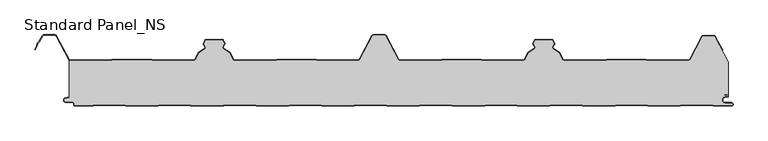
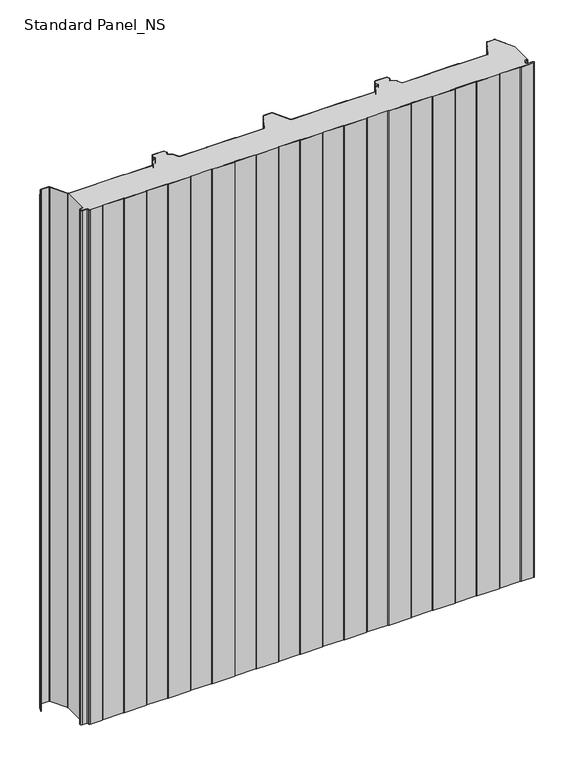
"""IFC4 building model written with IfcOpenShell, lengths in millimetres: proxy geometry, Standard Panel_NS."""

from ifc_helpers import new_model, si_unit, point, frame_2d, origin, origin_with_axes, place, context, project, spatial, polyline, circle_curve, trimmed, segment, composite_curve, outline, extrude, source, transform, mapped, element, save


def standard_panel_ns_d05a806e(model_context):
    return source(origin(), model_context, "Body", "SweptSolid", [
        extrude(outline(composite_curve([segment(polyline([(-467.4564897, 69.2), (-406.1619183, 69.2), (-403.7802849, 70.1683897), (-343.9889442, 70.1683897), (-341.6073108, 69.2), (-279.468044, 69.2)]), True, "CONTINUOUS"), segment(trimmed(circle_curve(frame_2d((-279.4708299, 70.9999978)), 1.8), [point((-279.468044, 69.2))], [point((-277.8815327, 70.1549332))], True, "CARTESIAN"), True, "CONTINUOUS"), segment(polyline([(-277.8815327, 70.1549332), (-271.7571118, 81.6730163), (-262.7737199, 87.3606338)]), True, "CONTINUOUS"), segment(trimmed(circle_curve(frame_2d((-263.7365884, 88.8814507)), 1.8), [point((-262.7737199, 87.3606338))], [point((-262.1275659, 89.6883253))], True, "CARTESIAN"), True, "CONTINUOUS"), segment(polyline([(-262.1275659, 89.6883253), (-264.7246358, 94.8672514), (-261.74715, 100.4669529), (-236.2531818, 100.4669529), (-233.2700817, 94.8564238), (-235.8618916, 89.6882431)]), True, "CONTINUOUS"), segment(trimmed(circle_curve(frame_2d((-234.2528851, 88.8813366)), 1.8), [point((-235.8618916, 89.6882431))], [point((-235.2157839, 87.3605387))], True, "CARTESIAN"), True, "CONTINUOUS"), segment(polyline([(-235.2157839, 87.3605387), (-226.2491619, 81.6832892), (-220.1195157, 70.1548264)]), True, "CONTINUOUS"), segment(trimmed(circle_curve(frame_2d((-218.5304355, 70.9997352)), 1.7997352), [point((-220.1195157, 70.1548264))], [point((-218.5304355, 69.2))], True, "CARTESIAN"), True, "CONTINUOUS"), segment(polyline([(-218.5304355, 69.2), (-156.392871, 69.2), (-154.0112306, 70.1683897), (-94.2198897, 70.1683897), (-91.8382499, 69.2), (-30.5436784, 69.2)]), True, "CONTINUOUS"), segment(trimmed(circle_curve(frame_2d((-30.5436784, 71.75)), 2.55), [point((-30.5436784, 69.2))], [point((-28.292162, 70.5528475))], True, "CARTESIAN"), True, "CONTINUOUS"), segment(polyline([(-28.292162, 70.5528475), (-9.1889275, 106.4808064)]), True, "CONTINUOUS"), segment(trimmed(circle_curve(frame_2d((-7.3788849, 105.5183897)), 2.05), [point((-9.1889275, 106.4808064))], [point((-7.3788849, 107.5683897))], False, "CARTESIAN"), True, "CONTINUOUS"), segment(polyline([(-7.3788849, 107.5683897), (9.3787035, 107.5683897)]), True, "CONTINUOUS"), segment(trimmed(circle_curve(frame_2d((9.3787035, 105.5183897)), 2.05), [point((9.3787035, 107.5683897))], [point((11.188746, 106.4808064))], False, "CARTESIAN"), True, "CONTINUOUS"), segment(polyline([(11.188746, 106.4808064), (30.2919806, 70.5528475)]), True, "CONTINUOUS"), segment(trimmed(circle_curve(frame_2d((32.543497, 71.75)), 2.55), [point((30.2919806, 70.5528475))], [point((32.543497, 69.2))], True, "CARTESIAN"), True, "CONTINUOUS"), segment(polyline([(32.543497, 69.2), (94.3380684, 69.2), (96.7197082, 70.1683897), (156.5110491, 70.1683897), (158.8926889, 69.2), (220.3454724, 69.2)]), True, "CONTINUOUS"), segment(trimmed(circle_curve(frame_2d((220.5302541, 70.9904904)), 1.8), [point((220.3454724, 69.2))], [point((222.1195681, 70.1454573))], True, "CARTESIAN"), True, "CONTINUOUS"), segment(polyline([(222.1195681, 70.1454573), (228.2489804, 81.6734802), (237.2156025, 87.3507298)]), True, "CONTINUOUS"), segment(trimmed(circle_curve(frame_2d((236.2527038, 88.8715276)), 1.8), [point((237.2156025, 87.3507298))], [point((237.8617103, 89.6784342))], True, "CARTESIAN"), True, "CONTINUOUS"), segment(polyline([(237.8617103, 89.6784342), (235.2699012, 94.8466132), (238.2529825, 100.4573069), (263.7468294, 100.4573069), (266.7244548, 94.8574433), (264.1273846, 89.6785164)]), True, "CONTINUOUS"), segment(trimmed(circle_curve(frame_2d((265.7364071, 88.8716418)), 1.8), [point((264.1273846, 89.6785164))], [point((264.7735386, 87.3508249))], True, "CARTESIAN"), True, "CONTINUOUS"), segment(polyline([(264.7735386, 87.3508249), (273.7569305, 81.6632074), (279.8813514, 70.1451242)]), True, "CONTINUOUS"), segment(trimmed(circle_curve(frame_2d((281.4706486, 70.9901889)), 1.8), [point((279.8813514, 70.1451242))], [point((281.6583282, 69.2))], True, "CARTESIAN"), True, "CONTINUOUS"), segment(polyline([(281.6583282, 69.2), (343.5388467, 69.2), (346.5543556, 70.1683897), (406.3541332, 70.1683897), (409.30759, 69.2), (470.7064911, 69.2)]), True, "CONTINUOUS"), segment(trimmed(circle_curve(frame_2d((470.7064911, 71.7198823)), 2.5198823), [point((470.7064911, 69.2))], [point((472.9163892, 70.5090325))], True, "CARTESIAN"), True, "CONTINUOUS"), segment(polyline([(472.9163892, 70.5090325), (491.4348615, 105.4813607)]), True, "CONTINUOUS"), segment(trimmed(circle_curve(frame_2d((493.2446093, 104.5183897)), 2.05), [point((491.4348615, 105.4813607))], [point((493.2446093, 106.5683897))], False, "CARTESIAN"), True, "CONTINUOUS"), segment(polyline([(493.2446093, 106.5683897), (508.7552093, 106.5683897)]), True, "CONTINUOUS"), segment(trimmed(circle_curve(frame_2d((508.7552093, 104.5183897)), 2.05), [point((508.7552093, 106.5683897))], [point((510.5652518, 105.4808064))], False, "CARTESIAN"), True, "CONTINUOUS"), segment(polyline([(510.5652518, 105.4808064), (531.1556154, 66.7559646), (531.1556156, 15.3551162)]), True, "CONTINUOUS"), segment(trimmed(circle_curve(frame_2d((529.5058468, 15.3274964)), 1.65), [point((531.1556156, 15.3551162))], [point((529.7378129, 16.9611095))], True, "CARTESIAN"), True, "CONTINUOUS"), segment(polyline([(529.7378129, 16.9611095), (524.8136969, 17.660313), (524.7012285, 16.8682582), (529.6253445, 16.1690547)]), True, "CONTINUOUS"), segment(trimmed(circle_curve(frame_2d((529.5058468, 15.3274964)), 0.85), [point((529.6253445, 16.1690547))], [point((529.6534477, 14.4904098))], False, "CARTESIAN"), True, "CONTINUOUS"), segment(polyline([(529.6534477, 14.4904098), (525.3286815, 13.7278368)]), True, "CONTINUOUS"), segment(trimmed(circle_curve(frame_2d((526.1535103, 9.05)), 4.75), [point((525.3286815, 13.7278368))], [point((526.1535103, 4.3))], True, "CARTESIAN"), True, "CONTINUOUS"), segment(polyline([(526.1535103, 4.3), (535.6535103, 4.3)]), True, "CONTINUOUS"), segment(trimmed(circle_curve(frame_2d((535.6535103, 2.55)), 1.75), [point((535.6535103, 4.3))], [point((535.6535103, 0.8))], False, "CARTESIAN"), True, "CONTINUOUS"), segment(polyline([(535.6535103, 0.8), (508.0955244, 0.8), (506.3634736, 1.8), (459.8988565, 1.8), (458.1668057, 0.8), (409.0955244, 0.8), (407.3634736, 1.8), (360.8988565, 1.8), (359.1668057, 0.8), (310.0955244, 0.8), (308.3634736, 1.8), (261.8988565, 1.8), (260.1668057, 0.8), (211.097319, 0.8), (209.3228176, 1.8), (162.8988565, 1.8), (161.1668057, 0.8), (112.0955244, 0.8), (110.3634736, 1.8), (63.8988565, 1.8), (62.1668057, 0.8), (13.0955244, 0.8), (11.3634736, 1.8), (-35.1011435, 1.8), (-36.8331943, 0.8), (-85.902681, 0.8), (-87.6771824, 1.8), (-134.1011435, 1.8), (-135.8331943, 0.8), (-184.902681, 0.8), (-186.6771824, 1.8), (-233.1011435, 1.8), (-234.8331943, 0.8), (-283.9044756, 0.8), (-285.6365264, 1.8), (-332.1011435, 1.8), (-333.8331943, 0.786297), (-382.902681, 0.786297), (-384.6771824, 1.786297), (-431.1011435, 1.786297), (-432.8331943, 0.786297), (-459.8464897, 0.786297)]), True, "CONTINUOUS"), segment(trimmed(circle_curve(frame_2d((-459.8464897, 2.036297)), 1.25), [point((-459.8464897, 0.786297))], [point((-461.0964897, 2.036297))], False, "CARTESIAN"), True, "CONTINUOUS"), segment(polyline([(-461.0964897, 2.036297), (-461.0964897, 3.436297)]), True, "CONTINUOUS"), segment(trimmed(circle_curve(frame_2d((-463.8464897, 3.436297)), 2.75), [point((-461.0964897, 3.436297))], [point((-463.8464897, 6.186297))], True, "CARTESIAN"), True, "CONTINUOUS"), segment(polyline([(-463.8464897, 6.186297), (-473.6464897, 6.186297)]), True, "CONTINUOUS"), segment(trimmed(circle_curve(frame_2d((-473.6464897, 9.036297)), 2.85), [point((-473.6464897, 6.186297))], [point((-474.2876002, 11.8132517))], False, "CARTESIAN"), True, "CONTINUOUS"), segment(polyline([(-474.2876002, 11.8132517), (-468.8443846, 13.0699171), (-468.8443846, 69.6107833)]), True, "CONTINUOUS"), segment(trimmed(circle_curve(frame_2d((-467.4564897, 71.75)), 2.55), [point((-468.8443846, 69.6107833))], [point((-467.4564897, 69.2))], True, "CARTESIAN"), True, "CONTINUOUS")], self_intersect=False)), origin_with_axes(), (0.0, 0.0, 1.0), 1219.2),
        extrude(outline(composite_curve([segment(polyline([(535.6535103, 0.0), (507.881165, 0.0), (506.1491142, 1.0), (460.1132158, 1.0), (458.381165, 0.0), (408.881165, 0.0), (407.1491142, 1.0), (361.1132158, 1.0), (359.381165, 0.0), (309.881165, 0.0), (308.1491142, 1.0), (262.1132158, 1.0), (260.381165, 0.0), (210.8874211, 0.0), (209.1129196, 1.0), (163.1132158, 1.0), (161.381165, 0.0), (111.881165, 0.0), (110.1491142, 1.0), (64.1132158, 1.0), (62.381165, 0.0), (12.881165, 0.0), (11.1491142, 1.0), (-34.8867842, 1.0), (-36.618835, 0.0), (-86.1125789, 0.0), (-87.8870804, 1.0), (-133.8867842, 1.0), (-135.618835, 0.0), (-185.1125789, 0.0), (-186.8870804, 1.0), (-232.8867842, 1.0), (-234.618835, 0.0), (-284.118835, 0.0), (-285.8508858, 1.0), (-331.8867842, 1.0), (-333.618835, -0.013703), (-383.1125789, -0.013703), (-384.8870804, 0.986297), (-430.8867842, 0.986297), (-432.618835, -0.013703), (-459.8464897, -0.013703)]), True, "CONTINUOUS"), segment(trimmed(circle_curve(frame_2d((-459.8464897, 2.036297)), 2.05), [point((-459.8464897, -0.013703))], [point((-461.8964897, 2.036297))], False, "CARTESIAN"), True, "CONTINUOUS"), segment(polyline([(-461.8964897, 2.036297), (-461.8964897, 3.436297)]), True, "CONTINUOUS"), segment(trimmed(circle_curve(frame_2d((-463.8464897, 3.436297)), 1.95), [point((-461.8964897, 3.436297))], [point((-463.8464897, 5.386297))], True, "CARTESIAN"), True, "CONTINUOUS"), segment(polyline([(-463.8464897, 5.386297), (-473.6464897, 5.386297)]), True, "CONTINUOUS"), segment(trimmed(circle_curve(frame_2d((-473.6464897, 9.036297)), 3.65), [point((-473.6464897, 5.386297))], [point((-474.4675611, 12.5927478))], False, "CARTESIAN"), True, "CONTINUOUS"), segment(polyline([(-474.4675611, 12.5927478), (-469.0243454, 13.8494131), (-468.8443846, 13.0699171), (-474.2876002, 11.8132517)]), True, "CONTINUOUS"), segment(trimmed(circle_curve(frame_2d((-473.6464897, 9.036297)), 2.85), [point((-474.2876002, 11.8132517))], [point((-473.6464897, 6.186297))], True, "CARTESIAN"), True, "CONTINUOUS"), segment(polyline([(-473.6464897, 6.186297), (-463.8464897, 6.186297)]), True, "CONTINUOUS"), segment(trimmed(circle_curve(frame_2d((-463.8464897, 3.436297)), 2.75), [point((-463.8464897, 6.186297))], [point((-461.0964897, 3.436297))], False, "CARTESIAN"), True, "CONTINUOUS"), segment(polyline([(-461.0964897, 3.436297), (-461.0964897, 2.036297)]), True, "CONTINUOUS"), segment(trimmed(circle_curve(frame_2d((-459.8464897, 2.036297)), 1.25), [point((-461.0964897, 2.036297))], [point((-459.8464897, 0.786297))], True, "CARTESIAN"), True, "CONTINUOUS"), segment(polyline([(-459.8464897, 0.786297), (-432.8331943, 0.786297), (-431.1011435, 1.786297), (-384.6771824, 1.786297), (-382.902681, 0.786297), (-333.8331943, 0.786297), (-332.1011435, 1.8), (-285.6365264, 1.8), (-283.9044756, 0.8), (-234.8331943, 0.8), (-233.1011435, 1.8), (-186.6771824, 1.8), (-184.902681, 0.8), (-135.8331943, 0.8), (-134.1011435, 1.8), (-87.6771824, 1.8), (-85.902681, 0.8), (-36.8331943, 0.8), (-35.1011435, 1.8), (11.3634736, 1.8), (13.0955244, 0.8), (62.1668057, 0.8), (63.8988565, 1.8), (110.3634736, 1.8), (112.0955244, 0.8), (161.1668057, 0.8), (162.8988565, 1.8), (209.3228176, 1.8), (211.097319, 0.8), (260.1668057, 0.8), (261.8988565, 1.8), (308.3634736, 1.8), (310.0955244, 0.8), (359.1668057, 0.8), (360.8988565, 1.8), (407.3634736, 1.8), (409.0955244, 0.8), (458.1668057, 0.8), (459.8988565, 1.8), (506.3634736, 1.8), (508.0955244, 0.8), (535.6535103, 0.8)]), True, "CONTINUOUS"), segment(trimmed(circle_curve(frame_2d((535.6535103, 2.55)), 1.75), [point((535.6535103, 0.8))], [point((535.6535103, 4.3))], True, "CARTESIAN"), True, "CONTINUOUS"), segment(polyline([(535.6535103, 4.3), (526.1535103, 4.3)]), True, "CONTINUOUS"), segment(trimmed(circle_curve(frame_2d((526.1535103, 9.05)), 4.75), [point((526.1535103, 4.3))], [point((525.3286815, 13.7278368))], False, "CARTESIAN"), True, "CONTINUOUS"), segment(polyline([(525.3286815, 13.7278368), (529.6534477, 14.4904098)]), True, "CONTINUOUS"), segment(trimmed(circle_curve(frame_2d((529.5058468, 15.3274964)), 0.85), [point((529.6534477, 14.4904098))], [point((529.6253445, 16.1690547))], True, "CARTESIAN"), True, "CONTINUOUS"), segment(polyline([(529.6253445, 16.1690547), (524.7012285, 16.8682582), (524.8136969, 17.660313), (529.7378129, 16.9611095)]), True, "CONTINUOUS"), segment(trimmed(circle_curve(frame_2d((529.5058468, 15.3274964)), 1.65), [point((529.7378129, 16.9611095))], [point((529.7923663, 13.7025636))], False, "CARTESIAN"), True, "CONTINUOUS"), segment(polyline([(529.7923663, 13.7025636), (525.4676, 12.9399906)]), True, "CONTINUOUS"), segment(trimmed(circle_curve(frame_2d((526.1535103, 9.05)), 3.95), [point((525.4676, 12.9399906))], [point((526.1535103, 5.1))], True, "CARTESIAN"), True, "CONTINUOUS"), segment(polyline([(526.1535103, 5.1), (535.6535103, 5.1)]), True, "CONTINUOUS"), segment(trimmed(circle_curve(frame_2d((535.6535103, 2.55)), 2.55), [point((535.6535103, 5.1))], [point((535.6535103, 0.0))], False, "CARTESIAN"), True, "CONTINUOUS")], self_intersect=False)), origin_with_axes(), (0.0, 0.0, 1.0), 1219.2),
        extrude(outline(composite_curve([segment(polyline([(-467.4564897, 70.0), (-406.318343, 70.0), (-403.9367096, 70.9683897), (-343.8325195, 70.9683897), (-341.4508861, 70.0), (-279.4687534, 70.0)]), True, "CONTINUOUS"), segment(trimmed(circle_curve(frame_2d((-279.4708299, 70.9999978)), 1.0), [point((-279.4687534, 70.0))], [point((-278.587887, 70.5305175))], True, "CARTESIAN"), True, "CONTINUOUS"), segment(polyline([(-278.587887, 70.5305175), (-272.3640204, 82.2356263), (-263.2016615, 88.0365524)]), True, "CONTINUOUS"), segment(trimmed(circle_curve(frame_2d((-263.7365884, 88.8814507)), 1.0), [point((-263.2016615, 88.0365524))], [point((-262.842687, 89.3297144))], True, "CARTESIAN"), True, "CONTINUOUS"), segment(polyline([(-262.842687, 89.3297144), (-265.393451, 94.4163001)]), True, "CONTINUOUS"), segment(trimmed(circle_curve(frame_2d((-264.4995496, 94.8645637)), 1.0), [point((-265.393451, 94.4163001))], [point((-265.3824926, 95.3340441))], False, "CARTESIAN"), True, "CONTINUOUS"), segment(polyline([(-265.3824926, 95.3340441), (-262.6508365, 100.4714183)]), True, "CONTINUOUS"), segment(trimmed(circle_curve(frame_2d((-261.3264221, 99.7671978)), 1.5), [point((-262.6508365, 100.4714183))], [point((-261.2993182, 101.2669529))], False, "CARTESIAN"), True, "CONTINUOUS"), segment(polyline([(-261.2993182, 101.2669529), (-236.6737889, 101.2669529)]), True, "CONTINUOUS"), segment(trimmed(circle_curve(frame_2d((-236.6737889, 99.7669529)), 1.5), [point((-236.6737889, 101.2669529))], [point((-235.3493606, 100.4711471))], False, "CARTESIAN"), True, "CONTINUOUS"), segment(polyline([(-235.3493606, 100.4711471), (-232.6122157, 95.3232034)]), True, "CONTINUOUS"), segment(trimmed(circle_curve(frame_2d((-233.4951679, 94.8537406)), 1.0), [point((-232.6122157, 95.3232034))], [point((-232.6012754, 94.4054592))], False, "CARTESIAN"), True, "CONTINUOUS"), segment(polyline([(-232.6012754, 94.4054592), (-235.1467776, 89.329618)]), True, "CONTINUOUS"), segment(trimmed(circle_curve(frame_2d((-234.2528851, 88.8813366)), 1.0), [point((-235.1467776, 89.329618))], [point((-234.7878289, 88.0364489))], True, "CARTESIAN"), True, "CONTINUOUS"), segment(polyline([(-234.7878289, 88.0364489), (-225.6422421, 82.2458871), (-219.413154, 70.5303966)]), True, "CONTINUOUS"), segment(trimmed(circle_curve(frame_2d((-218.5304355, 70.9997352)), 0.9997353), [point((-219.413154, 70.5303966))], [point((-218.5304355, 69.9999999))], True, "CARTESIAN"), True, "CONTINUOUS"), segment(polyline([(-218.5304355, 69.9999999), (-156.5492953, 69.9999999), (-154.1676549, 70.9683897), (-94.0634654, 70.9683897), (-91.6818255, 70.0), (-30.5436784, 70.0)]), True, "CONTINUOUS"), segment(trimmed(circle_curve(frame_2d((-30.5436784, 71.75)), 1.75), [point((-30.5436784, 70.0))], [point((-28.9985201, 70.9284248))], True, "CARTESIAN"), True, "CONTINUOUS"), segment(polyline([(-28.9985201, 70.9284248), (-9.8952855, 106.8563836)]), True, "CONTINUOUS"), segment(trimmed(circle_curve(frame_2d((-7.3788849, 105.5183897)), 2.85), [point((-9.8952855, 106.8563836))], [point((-7.3788849, 108.3683897))], False, "CARTESIAN"), True, "CONTINUOUS"), segment(polyline([(-7.3788849, 108.3683897), (9.3787035, 108.3683897)]), True, "CONTINUOUS"), segment(trimmed(circle_curve(frame_2d((9.3787035, 105.5183897)), 2.85), [point((9.3787035, 108.3683897))], [point((11.8951041, 106.8563836))], False, "CARTESIAN"), True, "CONTINUOUS"), segment(polyline([(11.8951041, 106.8563836), (30.9983387, 70.9284248)]), True, "CONTINUOUS"), segment(trimmed(circle_curve(frame_2d((32.543497, 71.75)), 1.75), [point((30.9983387, 70.9284248))], [point((32.543497, 70.0))], True, "CARTESIAN"), True, "CONTINUOUS"), segment(polyline([(32.543497, 70.0), (93.6816441, 70.0), (96.0632839, 70.9683897), (156.1674734, 70.9683897), (158.5491133, 70.0), (220.3926719, 70.0)]), True, "CONTINUOUS"), segment(trimmed(circle_curve(frame_2d((220.5302541, 70.9904904)), 1.0), [point((220.3926719, 70.0))], [point((221.4132063, 70.5210275))], True, "CARTESIAN"), True, "CONTINUOUS"), segment(polyline([(221.4132063, 70.5210275), (227.6420606, 82.2360781), (236.7876475, 88.0266399)]), True, "CONTINUOUS"), segment(trimmed(circle_curve(frame_2d((236.2527038, 88.8715276)), 1.0), [point((236.7876475, 88.0266399))], [point((237.1465963, 89.319809))], True, "CARTESIAN"), True, "CONTINUOUS"), segment(polyline([(237.1465963, 89.319809), (234.6010941, 94.3956503)]), True, "CONTINUOUS"), segment(trimmed(circle_curve(frame_2d((235.4949866, 94.8439317)), 1.0), [point((234.6010941, 94.3956503))], [point((234.6120274, 95.3133815))], False, "CARTESIAN"), True, "CONTINUOUS"), segment(polyline([(234.6120274, 95.3133815), (237.3491357, 100.4614397)]), True, "CONTINUOUS"), segment(trimmed(circle_curve(frame_2d((238.673644, 99.7572281)), 1.5000788), [point((237.3491357, 100.4614397))], [point((238.673644, 101.2573069))], False, "CARTESIAN"), True, "CONTINUOUS"), segment(polyline([(238.673644, 101.2573069), (263.3262591, 101.2573069)]), True, "CONTINUOUS"), segment(trimmed(circle_curve(frame_2d((263.3262591, 99.7573465)), 1.4999604), [point((263.3262591, 101.2573069))], [point((264.6506332, 100.4615583))], False, "CARTESIAN"), True, "CONTINUOUS"), segment(polyline([(264.6506332, 100.4615583), (267.3823077, 95.3242418)]), True, "CONTINUOUS"), segment(trimmed(circle_curve(frame_2d((266.4993683, 94.8547548)), 1.0), [point((267.3823077, 95.3242418))], [point((267.3932697, 94.4064911))], False, "CARTESIAN"), True, "CONTINUOUS"), segment(polyline([(267.3932697, 94.4064911), (264.8425057, 89.3199055)]), True, "CONTINUOUS"), segment(trimmed(circle_curve(frame_2d((265.7364071, 88.8716418)), 1.0), [point((264.8425057, 89.3199055))], [point((265.2014801, 88.0267435))], True, "CARTESIAN"), True, "CONTINUOUS"), segment(polyline([(265.2014801, 88.0267435), (274.3638391, 82.2258174), (280.5877057, 70.5207085)]), True, "CONTINUOUS"), segment(trimmed(circle_curve(frame_2d((281.4706486, 70.9901889)), 1.0), [point((280.5877057, 70.5207085))], [point((281.6103837, 70.0))], True, "CARTESIAN"), True, "CONTINUOUS"), segment(polyline([(281.6103837, 70.0), (343.3151107, 70.0), (346.3306196, 70.9683897), (406.4819392, 70.9683897), (409.435396, 70.0), (470.7064911, 70.0)]), True, "CONTINUOUS"), segment(trimmed(circle_curve(frame_2d((470.7064911, 71.7198823)), 1.7198823), [point((470.7064911, 70.0))], [point((472.2123141, 70.8889236))], True, "CARTESIAN"), True, "CONTINUOUS"), segment(polyline([(472.2123141, 70.8889236), (490.7282086, 105.8563836)]), True, "CONTINUOUS"), segment(trimmed(circle_curve(frame_2d((493.2446093, 104.5183897)), 2.85), [point((490.7282086, 105.8563836))], [point((493.2446093, 107.3683897))], False, "CARTESIAN"), True, "CONTINUOUS"), segment(polyline([(493.2446093, 107.3683897), (508.7552093, 107.3683897)]), True, "CONTINUOUS"), segment(trimmed(circle_curve(frame_2d((508.7552093, 104.5183897)), 2.85), [point((508.7552093, 107.3683897))], [point((511.2716099, 105.8563836))], False, "CARTESIAN"), True, "CONTINUOUS"), segment(polyline([(511.2716099, 105.8563836), (522.2394046, 85.2289619), (521.5330465, 84.8533847), (510.5652518, 105.4808064)]), True, "CONTINUOUS"), segment(trimmed(circle_curve(frame_2d((508.7552093, 104.5183897)), 2.05), [point((510.5652518, 105.4808064))], [point((508.7552093, 106.5683897))], True, "CARTESIAN"), True, "CONTINUOUS"), segment(polyline([(508.7552093, 106.5683897), (493.2446093, 106.5683897)]), True, "CONTINUOUS"), segment(trimmed(circle_curve(frame_2d((493.2446093, 104.5183897)), 2.05), [point((493.2446093, 106.5683897))], [point((491.4348615, 105.4813607))], True, "CARTESIAN"), True, "CONTINUOUS"), segment(polyline([(491.4348615, 105.4813607), (472.9163892, 70.5090325)]), True, "CONTINUOUS"), segment(trimmed(circle_curve(frame_2d((470.7064911, 71.7198823)), 2.5198823), [point((472.9163892, 70.5090325))], [point((470.7064911, 69.2))], False, "CARTESIAN"), True, "CONTINUOUS"), segment(polyline([(470.7064911, 69.2), (409.30759, 69.2), (406.3541332, 70.1683897), (346.4559229, 70.1683897), (343.440414, 69.2), (281.6583282, 69.2)]), True, "CONTINUOUS"), segment(trimmed(circle_curve(frame_2d((281.4706486, 70.9901889)), 1.8), [point((281.6583282, 69.2))], [point((279.8813514, 70.1451242))], False, "CARTESIAN"), True, "CONTINUOUS"), segment(polyline([(279.8813514, 70.1451242), (273.7569305, 81.6632074), (264.7735386, 87.3508249)]), True, "CONTINUOUS"), segment(trimmed(circle_curve(frame_2d((265.7364071, 88.8716418)), 1.8), [point((264.7735386, 87.3508249))], [point((264.1273846, 89.6785164))], False, "CARTESIAN"), True, "CONTINUOUS"), segment(polyline([(264.1273846, 89.6785164), (266.7244548, 94.8574433), (263.7468294, 100.4573069), (238.2529825, 100.4573069), (235.2699012, 94.8466132), (237.8617103, 89.6784342)]), True, "CONTINUOUS"), segment(trimmed(circle_curve(frame_2d((236.2527038, 88.8715276)), 1.8), [point((237.8617103, 89.6784342))], [point((237.2156025, 87.3507298))], False, "CARTESIAN"), True, "CONTINUOUS"), segment(polyline([(237.2156025, 87.3507298), (228.2489804, 81.6734802), (222.1195681, 70.1454573)]), True, "CONTINUOUS"), segment(trimmed(circle_curve(frame_2d((220.5302541, 70.9904904)), 1.8), [point((222.1195681, 70.1454573))], [point((220.3454724, 69.2))], False, "CARTESIAN"), True, "CONTINUOUS"), segment(polyline([(220.3454724, 69.2), (158.3926889, 69.2), (156.0110491, 70.1683897), (96.2197082, 70.1683897), (93.8380684, 69.2), (32.543497, 69.2)]), True, "CONTINUOUS"), segment(trimmed(circle_curve(frame_2d((32.543497, 71.75)), 2.55), [point((32.543497, 69.2))], [point((30.2919806, 70.5528475))], False, "CARTESIAN"), True, "CONTINUOUS"), segment(polyline([(30.2919806, 70.5528475), (11.188746, 106.4808064)]), True, "CONTINUOUS"), segment(trimmed(circle_curve(frame_2d((9.3787035, 105.5183897)), 2.05), [point((11.188746, 106.4808064))], [point((9.3787035, 107.5683897))], True, "CARTESIAN"), True, "CONTINUOUS"), segment(polyline([(9.3787035, 107.5683897), (-7.3788849, 107.5683897)]), True, "CONTINUOUS"), segment(trimmed(circle_curve(frame_2d((-7.3788849, 105.5183897)), 2.05), [point((-7.3788849, 107.5683897))], [point((-9.1889275, 106.4808064))], True, "CARTESIAN"), True, "CONTINUOUS"), segment(polyline([(-9.1889275, 106.4808064), (-28.292162, 70.5528475)]), True, "CONTINUOUS"), segment(trimmed(circle_curve(frame_2d((-30.5436784, 71.75)), 2.55), [point((-28.292162, 70.5528475))], [point((-30.5436784, 69.2))], False, "CARTESIAN"), True, "CONTINUOUS"), segment(polyline([(-30.5436784, 69.2), (-91.8382499, 69.2), (-94.2198897, 70.1683897), (-154.0112306, 70.1683897), (-156.392871, 69.2), (-218.5304355, 69.2)]), True, "CONTINUOUS"), segment(trimmed(circle_curve(frame_2d((-218.5304355, 70.9997352)), 1.7997352), [point((-218.5304355, 69.2))], [point((-220.1195157, 70.1548264))], False, "CARTESIAN"), True, "CONTINUOUS"), segment(polyline([(-220.1195157, 70.1548264), (-226.2491619, 81.6832892), (-235.2157839, 87.3605387)]), True, "CONTINUOUS"), segment(trimmed(circle_curve(frame_2d((-234.2528851, 88.8813366)), 1.8), [point((-235.2157839, 87.3605387))], [point((-235.8618916, 89.6882431))], False, "CARTESIAN"), True, "CONTINUOUS"), segment(polyline([(-235.8618916, 89.6882431), (-233.2700817, 94.8564238), (-236.2531818, 100.4669529), (-261.74715, 100.4669529), (-264.7246358, 94.8672514), (-262.1275659, 89.6883253)]), True, "CONTINUOUS"), segment(trimmed(circle_curve(frame_2d((-263.7365884, 88.8814507)), 1.8), [point((-262.1275659, 89.6883253))], [point((-262.7737199, 87.3606338))], False, "CARTESIAN"), True, "CONTINUOUS"), segment(polyline([(-262.7737199, 87.3606338), (-271.7571118, 81.6730163), (-277.8815327, 70.1549332)]), True, "CONTINUOUS"), segment(trimmed(circle_curve(frame_2d((-279.4708299, 70.9999978)), 1.8), [point((-277.8815327, 70.1549332))], [point((-279.468044, 69.2))], False, "CARTESIAN"), True, "CONTINUOUS"), segment(polyline([(-279.468044, 69.2), (-341.6073108, 69.2), (-343.9889442, 70.1683897), (-403.7802849, 70.1683897), (-406.1619183, 69.2), (-467.4564897, 69.2)]), True, "CONTINUOUS"), segment(trimmed(circle_curve(frame_2d((-467.4564897, 71.75)), 2.55), [point((-467.4564897, 69.2))], [point((-469.7080061, 70.5528475))], False, "CARTESIAN"), True, "CONTINUOUS"), segment(polyline([(-469.7080061, 70.5528475), (-488.8112406, 106.4808064)]), True, "CONTINUOUS"), segment(trimmed(circle_curve(frame_2d((-490.6212832, 105.5183897)), 2.05), [point((-488.8112406, 106.4808064))], [point((-490.6212832, 107.5683897))], True, "CARTESIAN"), True, "CONTINUOUS"), segment(polyline([(-490.6212832, 107.5683897), (-507.3620907, 107.5683897)]), True, "CONTINUOUS"), segment(trimmed(circle_curve(frame_2d((-507.3620907, 105.5183897)), 2.05), [point((-507.3620907, 107.5683897))], [point((-509.1721333, 106.4808064))], True, "CARTESIAN"), True, "CONTINUOUS"), segment(polyline([(-509.1721333, 106.4808064), (-514.1174305, 97.1800551), (-516.4385398, 94.9723908), (-517.0120726, 91.7360251), (-520.1399217, 85.8533964), (-520.8462798, 86.2289737), (-517.7777505, 92.000038), (-517.1803883, 95.3708693), (-514.7628407, 97.6702585), (-509.8784914, 106.8563836)]), True, "CONTINUOUS"), segment(trimmed(circle_curve(frame_2d((-507.3620907, 105.5183897)), 2.85), [point((-509.8784914, 106.8563836))], [point((-507.3620907, 108.3683897))], False, "CARTESIAN"), True, "CONTINUOUS"), segment(polyline([(-507.3620907, 108.3683897), (-490.6212832, 108.3683897)]), True, "CONTINUOUS"), segment(trimmed(circle_curve(frame_2d((-490.6212832, 105.5183897)), 2.85), [point((-490.6212832, 108.3683897))], [point((-488.1048826, 106.8563836))], False, "CARTESIAN"), True, "CONTINUOUS"), segment(polyline([(-488.1048826, 106.8563836), (-469.001648, 70.9284248)]), True, "CONTINUOUS"), segment(trimmed(circle_curve(frame_2d((-467.4564897, 71.75)), 1.75), [point((-469.001648, 70.9284248))], [point((-467.4564897, 70.0))], True, "CARTESIAN"), True, "CONTINUOUS")], self_intersect=False)), origin_with_axes(), (0.0, 0.0, 1.0), 1219.2),
    ])


if __name__ == "__main__":
    model = new_model("IFC4")
    model_context = context("Model", 3, world=origin())
    ifc_project = project(units=[si_unit("LENGTHUNIT", "METRE", prefix="MILLI")], contexts=[model_context])
    site = spatial("IfcSite", under=ifc_project)
    building = spatial("IfcBuilding", under=site)
    placement = place(None, origin())
    standard_panel_ns_shape = standard_panel_ns_d05a806e(model_context)
    element("IfcBuildingElementProxy", 1, Name="Standard Panel_NS", ObjectType="Standard Panel_NS", at=placement, inside=building, context=model_context, shape_type="MappedRepresentation", body=[
        mapped(standard_panel_ns_shape, transform((0.0, 0.0, 0.0), x_axis=(1.0, 0.0, 0.0), y_axis=(0.0, 1.0, 0.0), z_axis=(0.0, 0.0, 1.0))),
    ])
    save(model, "model.ifc")
